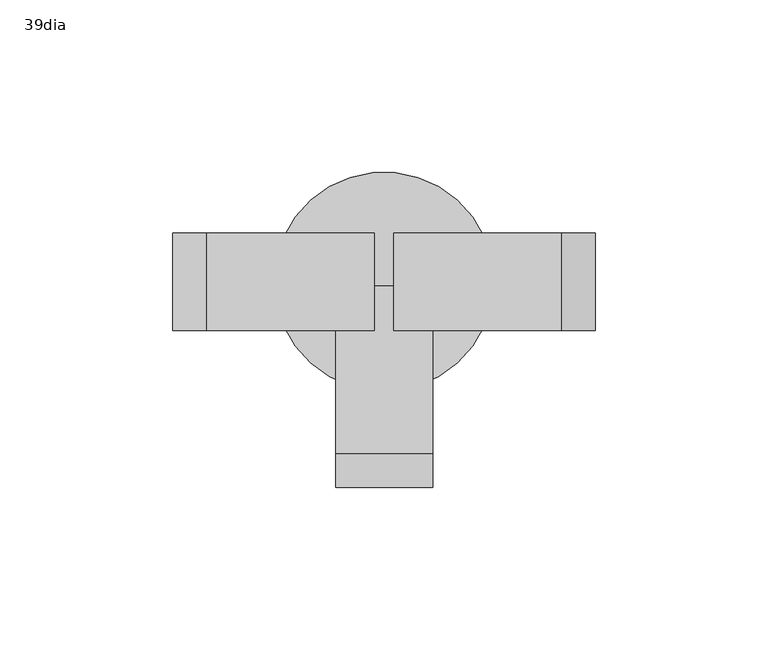
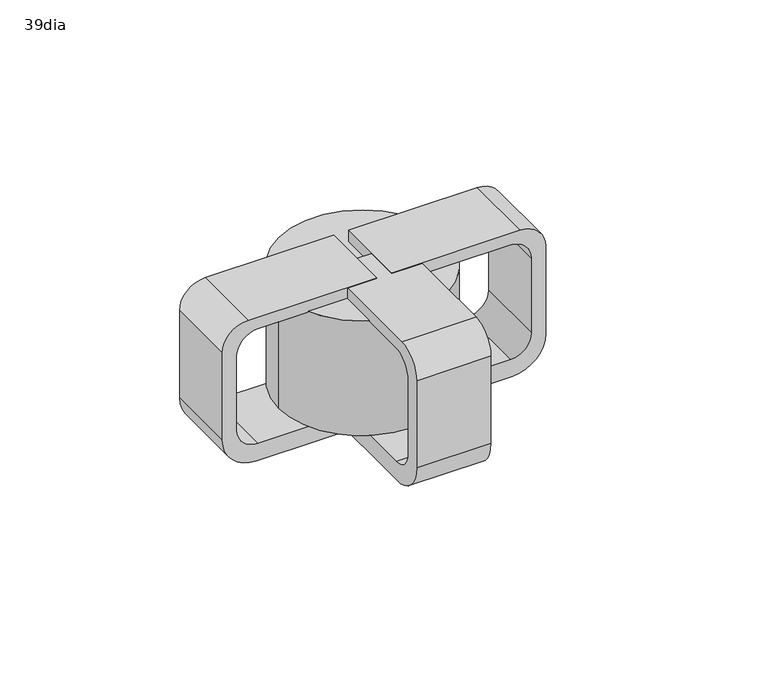
"""IFC4 building model written with IfcOpenShell, lengths in millimetres: furniture geometry, 39dia."""

from ifc_helpers import new_model, si_unit, point, frame, frame_2d, origin, origin_2d, place, context, project, spatial, polyline, circle_curve, trimmed, segment, composite_curve, outline, extrude, source, transform, mapped, element, save


def furniture_39dia_a0e84770(model_context):
    return source(origin(), model_context, "Body", "SweptSolid", [
        extrude(outline(composite_curve([segment(polyline([(287.3162919, 2.8581003), (287.3162919, 47.5038898)]), True, "CONTINUOUS"), segment(trimmed(circle_curve(frame_2d((278.999079, 47.5038898)), 8.3172129), [point((287.3162919, 47.5038898))], [point((278.999079, 55.8211027))], True, "CARTESIAN"), True, "CONTINUOUS"), segment(polyline([(278.999079, 55.8211027), (249.4697292, 55.8211027)]), True, "CONTINUOUS"), segment(trimmed(circle_curve(frame_2d((249.4697292, 47.8069056)), 8.0141971), [point((249.4697292, 55.8211027))], [point((241.4555321, 47.8069056))], True, "CARTESIAN"), True, "CONTINUOUS"), segment(polyline([(241.4555321, 47.8069056), (241.4555321, 2.56605), (234.5725725, 2.56605), (234.5725725, 48.4375613)]), True, "CONTINUOUS"), segment(trimmed(circle_curve(frame_2d((247.2725725, 48.4375613)), 12.7), [point((234.5725725, 48.4375613))], [point((247.2725725, 61.1375613))], False, "CARTESIAN"), True, "CONTINUOUS"), segment(polyline([(247.2725725, 61.1375613), (282.2120802, 61.1375613)]), True, "CONTINUOUS"), segment(trimmed(circle_curve(frame_2d((282.2120802, 51.4492718)), 9.6882895), [point((282.2120802, 61.1375613))], [point((291.9003697, 51.4492718))], False, "CARTESIAN"), True, "CONTINUOUS"), segment(polyline([(291.9003697, 51.4492718), (291.9003697, 2.8581003), (287.3162919, 2.8581003)]), True, "CONTINUOUS")], self_intersect=False)), frame((0.0, -14.0808136, 0.0), z_axis=(0.0, 1.0, 0.0), x_axis=(0.0, 0.0, 1.0)), (0.0, 0.0, 1.0), 28.0975143),
        extrude(outline(composite_curve([segment(trimmed(circle_curve(origin_2d(), 31.75), [point((-31.75, 0.0))], [point((31.75, 0.0))], False, "CARTESIAN"), True, "CONTINUOUS"), segment(trimmed(circle_curve(origin_2d(), 31.75), [point((31.75, 0.0))], [point((-31.75, 0.0))], False, "CARTESIAN"), True, "CONTINUOUS")], self_intersect=False)), frame((0.0, 0.0, 241.3236963), z_axis=(0.0, 0.0, 1.0), x_axis=(1.0, 0.0, 0.0)), (0.0, 0.0, 1.0), 45.9925956),
        extrude(outline(composite_curve([segment(polyline([(287.3162919, -2.8581003), (291.9003697, -2.8581003), (291.9003697, -51.4492718)]), True, "CONTINUOUS"), segment(trimmed(circle_curve(frame_2d((282.2120802, -51.4492718)), 9.6882895), [point((291.9003697, -51.4492718))], [point((282.2120802, -61.1375613))], False, "CARTESIAN"), True, "CONTINUOUS"), segment(polyline([(282.2120802, -61.1375613), (247.2725725, -61.1375613)]), True, "CONTINUOUS"), segment(trimmed(circle_curve(frame_2d((247.2725725, -48.4375613)), 12.7), [point((247.2725725, -61.1375613))], [point((234.5725725, -48.4375613))], False, "CARTESIAN"), True, "CONTINUOUS"), segment(polyline([(234.5725725, -48.4375613), (234.5725725, -2.56605), (241.4555321, -2.56605), (241.4555321, -47.8069056)]), True, "CONTINUOUS"), segment(trimmed(circle_curve(frame_2d((249.4697292, -47.8069056)), 8.0141971), [point((241.4555321, -47.8069056))], [point((249.4697292, -55.8211027))], True, "CARTESIAN"), True, "CONTINUOUS"), segment(polyline([(249.4697292, -55.8211027), (278.999079, -55.8211027)]), True, "CONTINUOUS"), segment(trimmed(circle_curve(frame_2d((278.999079, -47.5038898)), 8.3172129), [point((278.999079, -55.8211027))], [point((287.3162919, -47.5038898))], True, "CARTESIAN"), True, "CONTINUOUS"), segment(polyline([(287.3162919, -47.5038898), (287.3162919, -2.8581003)]), True, "CONTINUOUS")], self_intersect=False)), frame((0.0, -14.0808136, 0.0), z_axis=(0.0, 1.0, 0.0), x_axis=(0.0, 0.0, 1.0)), (0.0, 0.0, 1.0), 28.0975143),
        extrude(outline(composite_curve([segment(polyline([(-1.2706003, 287.3162919), (-45.9163898, 287.3162919)]), True, "CONTINUOUS"), segment(trimmed(circle_curve(frame_2d((-45.9163898, 278.999079)), 8.3172129), [point((-45.9163898, 287.3162919))], [point((-54.2336027, 278.999079))], True, "CARTESIAN"), True, "CONTINUOUS"), segment(polyline([(-54.2336027, 278.999079), (-54.2336027, 249.8666042)]), True, "CONTINUOUS"), segment(trimmed(circle_curve(frame_2d((-46.2194056, 249.8666042)), 8.0141971), [point((-54.2336027, 249.8666042))], [point((-46.2194056, 241.8524071))], True, "CARTESIAN"), True, "CONTINUOUS"), segment(polyline([(-46.2194056, 241.8524071), (-0.97855, 241.8524071), (-0.97855, 234.5725725), (-46.8500613, 234.5725725)]), True, "CONTINUOUS"), segment(trimmed(circle_curve(frame_2d((-46.8500613, 247.2725725)), 12.7), [point((-46.8500613, 234.5725725))], [point((-59.5500613, 247.2725725))], False, "CARTESIAN"), True, "CONTINUOUS"), segment(polyline([(-59.5500613, 247.2725725), (-59.5500613, 282.2120802)]), True, "CONTINUOUS"), segment(trimmed(circle_curve(frame_2d((-49.8617718, 282.2120802)), 9.6882895), [point((-59.5500613, 282.2120802))], [point((-49.8617718, 291.9003697))], False, "CARTESIAN"), True, "CONTINUOUS"), segment(polyline([(-49.8617718, 291.9003697), (-1.2706003, 291.9003697), (-1.2706003, 287.3162919)]), True, "CONTINUOUS")], self_intersect=False)), frame((-14.0167006, 0.0, 0.0), z_axis=(1.0, 0.0, 0.0), x_axis=(0.0, 1.0, 0.0)), (0.0, 0.0, 1.0), 28.0975143),
    ])


if __name__ == "__main__":
    model = new_model("IFC4")
    model_context = context("Model", 3, world=origin())
    ifc_project = project(units=[si_unit("LENGTHUNIT", "METRE", prefix="MILLI")], contexts=[model_context])
    site = spatial("IfcSite", under=ifc_project)
    building = spatial("IfcBuilding", under=site)
    placement = place(None, origin())
    furniture_39dia_shape = furniture_39dia_a0e84770(model_context)
    element("IfcFurniture", 1, ObjectType="39dia", at=placement, inside=building, context=model_context, shape_type="MappedRepresentation", body=[
        mapped(furniture_39dia_shape, transform((0.0, 0.0, 0.0), x_axis=(1.0, 0.0, 0.0), y_axis=(0.0, 1.0, 0.0), z_axis=(0.0, 0.0, 1.0))),
    ])
    save(model, "model.ifc")
